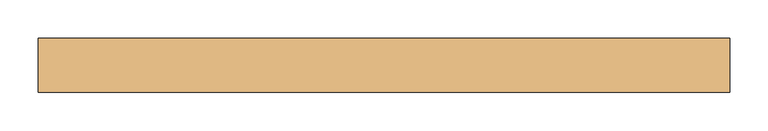
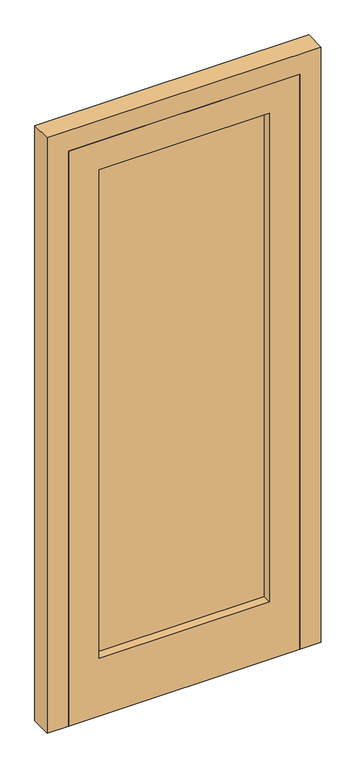
"""IFC4 building model written with IfcOpenShell, lengths in millimetres: door geometry."""

from ifc_helpers import new_model, si_unit, frame, origin, place, context, project, spatial, polyline, outline, extrude, source, transform, mapped, element, save


def door_d470666a(model_context):
    return source(origin(), model_context, "Body", "SweptSolid", [
        extrude(outline(polyline([(-280.0, 5.0), (280.0, 5.0), (280.0, -5.0), (-280.0, -5.0), (-280.0, 5.0)])), frame((0.0, 0.0, 200.0), z_axis=(0.0, 0.0, 1.0), x_axis=(1.0, 0.0, 0.0)), (0.0, 0.0, 1.0), 1695.0),
        extrude(outline(polyline([(0.0, -380.0), (0.0, 380.0), (1995.0, 380.0), (1995.0, -380.0), (0.0, -380.0)]), holes=[polyline([(1895.0, -280.0), (1895.0, 280.0), (200.0, 280.0), (200.0, -280.0), (1895.0, -280.0)])]), frame((0.0, -35.0, 0.0), z_axis=(0.0, 1.0, 0.0), x_axis=(0.0, 0.0, 1.0)), (0.0, 0.0, 1.0), 70.0),
        extrude(outline(polyline([(2065.0, 450.0), (2065.0, -450.0), (0.0, -450.0), (0.0, -380.0), (1995.0, -380.0), (1995.0, 380.0), (0.0, 380.0), (0.0, 450.0), (2065.0, 450.0)])), frame((0.0, -35.0, 0.0), z_axis=(0.0, 1.0, 0.0), x_axis=(0.0, 0.0, 1.0)), (0.0, 0.0, 1.0), 70.0),
    ])


if __name__ == "__main__":
    model = new_model("IFC4")
    model_context = context("Model", 3, world=origin())
    ifc_project = project(units=[si_unit("LENGTHUNIT", "METRE", prefix="MILLI")], contexts=[model_context])
    site = spatial("IfcSite", under=ifc_project)
    building = spatial("IfcBuilding", under=site)
    placement = place(None, origin())
    door_shape = door_d470666a(model_context)
    element("IfcDoor", 1, at=placement, inside=building, context=model_context, shape_type="MappedRepresentation", body=[
        mapped(door_shape, transform((0.0, 0.0, 0.0), x_axis=(1.0, 0.0, 0.0), y_axis=(0.0, 1.0, 0.0), z_axis=(0.0, 0.0, 1.0))),
    ])
    save(model, "model.ifc")
